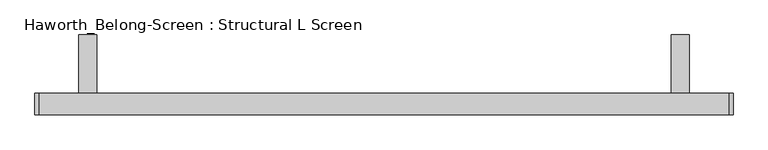
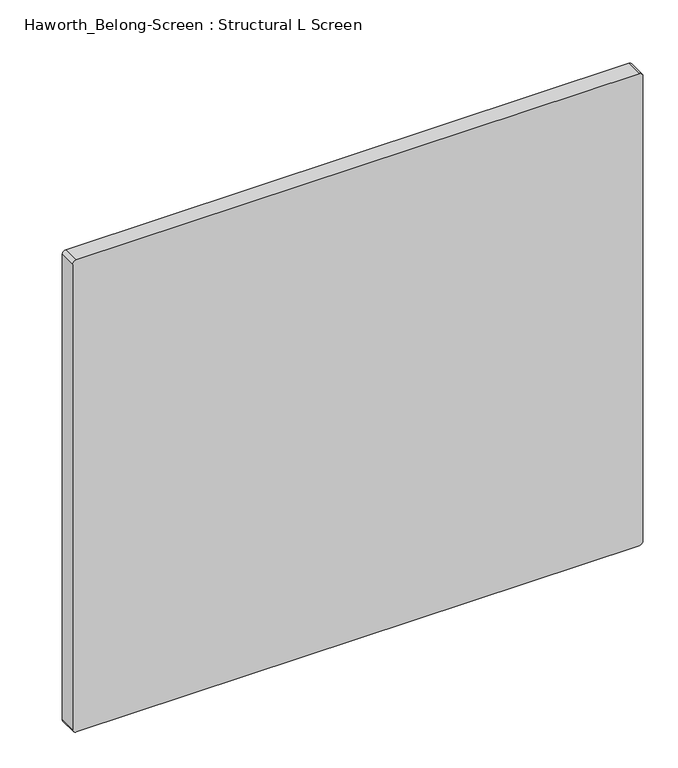
"""IFC4 building model written with IfcOpenShell, lengths in millimetres: furniture geometry, Haworth_Belong-Screen : Structural L Screen."""

from ifc_helpers import new_model, si_unit, point, frame, frame_2d, origin, place, context, project, spatial, polyline, circle_curve, trimmed, segment, composite_curve, outline, extrude, source, transform, mapped, element, save


def haworth_belong_screen_structural_l_screen_c8889149(model_context):
    return source(origin(), model_context, "Body", "SweptSolid", [
        extrude(outline(polyline([(19.05, 731.8375), (120.65, 731.8375), (120.65, 725.4875), (25.4, 725.4875), (25.4, 630.2375), (19.05, 630.2375), (19.05, 731.8375)])), frame((-566.0645436, 0.0, 0.0), z_axis=(1.0, 0.0, 0.0), x_axis=(0.0, 1.0, 0.0)), (0.0, 0.0, 1.0), 31.75),
        extrude(outline(polyline([(19.05, 731.8375), (120.65, 731.8375), (120.65, 725.4875), (25.4, 725.4875), (25.4, 630.2375), (19.05, 630.2375), (19.05, 731.8375)])), frame((468.9854564, 0.0, 0.0), z_axis=(1.0, 0.0, 0.0), x_axis=(0.0, 1.0, 0.0)), (0.0, 0.0, 1.0), 31.75),
        extrude(outline(composite_curve([segment(polyline([(1087.4375, 568.9979564), (1087.4375, -634.3270436)]), True, "CONTINUOUS"), segment(trimmed(circle_curve(frame_2d((1079.5, -634.3270436)), 7.9375), [point((1087.4375, -634.3270436))], [point((1079.5, -642.2645436))], False, "CARTESIAN"), True, "CONTINUOUS"), segment(polyline([(1079.5, -642.2645436), (28.575, -642.2645436)]), True, "CONTINUOUS"), segment(trimmed(circle_curve(frame_2d((28.575, -634.3270436)), 7.9375), [point((28.575, -642.2645436))], [point((20.6375, -634.3270436))], False, "CARTESIAN"), True, "CONTINUOUS"), segment(polyline([(20.6375, -634.3270436), (20.6375, 568.9979564)]), True, "CONTINUOUS"), segment(trimmed(circle_curve(frame_2d((28.575, 568.9979564)), 7.9375), [point((20.6375, 568.9979564))], [point((28.575, 576.9354564))], False, "CARTESIAN"), True, "CONTINUOUS"), segment(polyline([(28.575, 576.9354564), (1079.5, 576.9354564)]), True, "CONTINUOUS"), segment(trimmed(circle_curve(frame_2d((1079.5, 568.9979564)), 7.9375), [point((1079.5, 576.9354564))], [point((1087.4375, 568.9979564))], False, "CARTESIAN"), True, "CONTINUOUS")], self_intersect=False)), frame((0.0, -19.05, 0.0), z_axis=(0.0, 1.0, 0.0), x_axis=(0.0, 0.0, 1.0)), (0.0, 0.0, 1.0), 38.1),
    ])


if __name__ == "__main__":
    model = new_model("IFC4")
    model_context = context("Model", 3, world=origin())
    ifc_project = project(units=[si_unit("LENGTHUNIT", "METRE", prefix="MILLI")], contexts=[model_context])
    site = spatial("IfcSite", under=ifc_project)
    building = spatial("IfcBuilding", under=site)
    placement = place(None, origin())
    haworth_belong_screen_structural_l_screen_shape = haworth_belong_screen_structural_l_screen_c8889149(model_context)
    element("IfcFurniture", 1, ObjectType="Haworth_Belong-Screen : Structural L Screen", at=placement, inside=building, context=model_context, shape_type="MappedRepresentation", body=[
        mapped(haworth_belong_screen_structural_l_screen_shape, transform((0.0, 0.0, 0.0), x_axis=(1.0, 0.0, 0.0), y_axis=(0.0, 1.0, 0.0), z_axis=(0.0, 0.0, 1.0))),
    ])
    save(model, "model.ifc")
